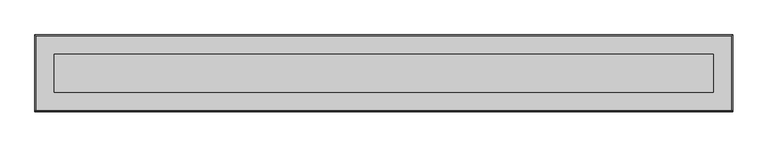
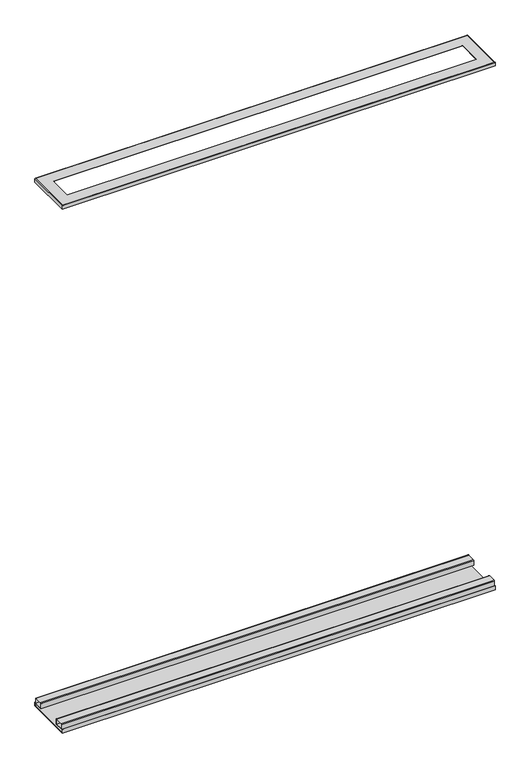
"""IFC4 building model written with IfcOpenShell, lengths in millimetres: proxy geometry."""

from ifc_helpers import new_model, si_unit, point, frame, frame_2d, origin, place, context, project, spatial, polyline, circle_curve, ellipse_curve, trimmed, segment, composite_curve, outline, extrude, source, transform, mapped, element, save
from ifc_brep_helpers import plane_surface, cylinder_surface, advanced_brep


def specialty_equipment_b6dd4536(model_context):
    return source(origin(), model_context, "Body", "SolidModel", [
        advanced_brep(
        [(-85.6077362, -6.1265625, 3038.475), (-85.6077362, -6.1265625, 3059.1125), (2285.7616638, -6.1265625, 3059.1125), (2285.7616638, -6.1265625, 3038.475), (-87.1952362, -7.7140625, 3058.0973019), (-87.1952362, -7.7140625, 3038.475), (2287.3491638, -7.7140625, 3038.475), (2287.3491638, -7.7140625, 3058.0973019), (-84.592538, -5.1113644, 3060.7), (2284.7464657, -5.1113644, 3060.7), (-22.1077362, 57.3734375, 3059.1125), (-22.1077362, 57.3734375, 3060.7), (2222.2616638, 57.3734375, 3060.7), (2222.2616638, 57.3734375, 3059.1125), (2285.7616638, 251.0484375, 3059.1125), (2285.7616638, 251.0484375, 3038.475), (2287.3491638, 252.6359375, 3038.475), (2287.3491638, 252.6359375, 3058.0973019), (2284.7464657, 250.0332394, 3060.7), (2222.2616638, 187.5484375, 3060.7), (2222.2616638, 187.5484375, 3059.1125), (-85.6077362, 251.0484375, 3059.1125), (-85.6077362, 251.0484375, 3038.475), (-87.1952362, 252.6359375, 3038.475), (-87.1952362, 252.6359375, 3058.0973019), (-84.592538, 250.0332394, 3060.7), (-22.1077362, 187.5484375, 3060.7), (-22.1077362, 187.5484375, 3059.1125)],
        [
            (0, 1),
            (1, 2),
            (2, 3),
            (3, 0),
            (4, 5),
            (5, 6),
            (6, 7),
            (7, 4),
            (8, 4, ellipse_curve(frame((-84.592538, -5.1113644, 3058.0973019), z_axis=(0.7071067811865475, -0.7071067811865475, 0.0), x_axis=(-0.7071067811865476, -0.7071067811865474, 0.0)), 3.680771, 2.6026981)),
            (7, 9, ellipse_curve(frame((2284.7464657, -5.1113644, 3058.0973019), z_axis=(-0.7071067811865475, -0.7071067811865475, 0.0), x_axis=(-0.7071067811865476, 0.7071067811865474, 0.0)), 3.680771, 2.6026981)),
            (9, 8),
            (10, 11),
            (11, 12),
            (12, 13),
            (13, 10),
            (2, 14),
            (14, 15),
            (15, 3),
            (6, 16),
            (16, 17),
            (17, 7),
            (17, 18, ellipse_curve(frame((2284.7464657, 250.0332394, 3058.0973019), z_axis=(0.7071067811865475, -0.7071067811865475, 0.0), x_axis=(-0.7071067811865474, -0.7071067811865476, 0.0)), 3.680771, 2.6026981)),
            (18, 9),
            (12, 19),
            (19, 20),
            (20, 13),
            (14, 21),
            (21, 22),
            (22, 15),
            (16, 23),
            (23, 24),
            (24, 17),
            (24, 25, ellipse_curve(frame((-84.592538, 250.0332394, 3058.0973019), z_axis=(0.7071067811865475, 0.7071067811865475, 0.0), x_axis=(0.7071067811865476, -0.7071067811865474, 0.0)), 3.680771, 2.6026981)),
            (25, 18),
            (19, 26),
            (26, 27),
            (27, 20),
            (21, 1),
            (0, 22),
            (5, 23),
            (4, 24),
            (8, 25),
            (11, 26),
            (10, 27),
        ],
        [
            plane_surface(frame((-85.6077362, -6.1265625, 3059.1125), z_axis=(0.0, 1.0, 0.0), x_axis=(1.0, 0.0, 0.0))),
            plane_surface(frame((-87.1952362, -7.7140625, 3038.475), z_axis=(0.0, -1.0, -1.5538175795976938e-12), x_axis=(1.0, 0.0, 0.0))),
            cylinder_surface(frame((-87.1952362, -5.1113644, 3058.0973019), z_axis=(-1.0, 0.0, 0.0), x_axis=(0.0, 1.0, 0.0)), 2.6026981),
            plane_surface(frame((-22.1077362, 57.3734375, 3060.7), z_axis=(0.0, 1.0, 0.0), x_axis=(1.0, 0.0, 0.0))),
            plane_surface(frame((2285.7616638, -6.1265625, 3059.1125), z_axis=(-1.0, 0.0, 0.0), x_axis=(0.0, 1.0, 0.0))),
            plane_surface(frame((2287.3491638, -7.7140625, 3038.475), z_axis=(1.0, 0.0, -1.5538175795976938e-12), x_axis=(0.0, 1.0, 0.0))),
            cylinder_surface(frame((2284.7464657, -7.7140625, 3058.0973019), z_axis=(0.0, -1.0, 0.0), x_axis=(-1.0, 0.0, 0.0)), 2.6026981),
            plane_surface(frame((2222.2616638, 57.3734375, 3060.7), z_axis=(-1.0, 0.0, 0.0), x_axis=(0.0, 1.0, 0.0))),
            plane_surface(frame((2285.7616638, 251.0484375, 3059.1125), z_axis=(0.0, -1.0, 0.0), x_axis=(-1.0, 0.0, 0.0))),
            plane_surface(frame((2287.3491638, 252.6359375, 3038.475), z_axis=(0.0, 1.0, -1.5538175795976938e-12), x_axis=(-1.0, 0.0, 0.0))),
            cylinder_surface(frame((2287.3491638, 250.0332394, 3058.0973019), z_axis=(1.0, 0.0, 0.0), x_axis=(0.0, -1.0, 0.0)), 2.6026981),
            plane_surface(frame((2222.2616638, 187.5484375, 3060.7), z_axis=(0.0, -1.0, 0.0), x_axis=(-1.0, 0.0, 0.0))),
            plane_surface(frame((-85.6077362, 251.0484375, 3059.1125), z_axis=(1.0, 0.0, 0.0), x_axis=(0.0, -1.0, 0.0))),
            plane_surface(frame((-85.6077362, 251.0484375, 3038.475), z_axis=(0.0, 0.0, -1.0), x_axis=(0.0, -1.0, 0.0))),
            plane_surface(frame((-87.1952362, 252.6359375, 3038.475), z_axis=(-1.0, 0.0, -1.5538175795976938e-12), x_axis=(0.0, -1.0, 0.0))),
            cylinder_surface(frame((-84.592538, 252.6359375, 3058.0973019), z_axis=(0.0, 1.0, 0.0), x_axis=(1.0, 0.0, 0.0)), 2.6026981),
            plane_surface(frame((-84.592538, 250.0332394, 3060.7), z_axis=(0.0, 0.0, 1.0), x_axis=(0.0, -1.0, 0.0))),
            plane_surface(frame((-22.1077362, 187.5484375, 3060.7), z_axis=(1.0, 0.0, 0.0), x_axis=(0.0, -1.0, 0.0))),
            plane_surface(frame((-22.1077362, 187.5484375, 3059.1125), z_axis=(0.0, 0.0, -1.0), x_axis=(0.0, -1.0, 0.0))),
        ],
        [
            (0, [[1, 2, 3, 4]]),
            (1, [[5, 6, 7, 8]]),
            (2, [[9, -8, 10, 11]]),
            (3, [[12, 13, 14, 15]]),
            (4, [[-3, 16, 17, 18]]),
            (5, [[-7, 19, 20, 21]]),
            (6, [[-10, -21, 22, 23]]),
            (7, [[-14, 24, 25, 26]]),
            (8, [[-17, 27, 28, 29]]),
            (9, [[-20, 30, 31, 32]]),
            (10, [[-22, -32, 33, 34]]),
            (11, [[-25, 35, 36, 37]]),
            (12, [[-28, 38, -1, 39]]),
            (13, [[40, -30, -19, -6], [-18, -29, -39, -4]]),
            (14, [[-31, -40, -5, 41]]),
            (15, [[-33, -41, -9, 42]]),
            (16, [[-23, -34, -42, -11], [43, -35, -24, -13]]),
            (17, [[-36, -43, -12, 44]]),
            (18, [[-38, -27, -16, -2], [-26, -37, -44, -15]]),
        ],
    ),
        extrude(outline(composite_curve([segment(trimmed(circle_curve(frame_2d((243.1988458, 45.6174083)), 3.7855917), [point((243.1988458, 49.403))], [point((246.9844375, 45.6174083))], False, "CARTESIAN"), True, "CONTINUOUS"), segment(polyline([(246.9844375, 45.6174083), (246.9844375, 17.653), (196.1844375, 17.653), (196.1844375, 46.022634)]), True, "CONTINUOUS"), segment(trimmed(circle_curve(frame_2d((199.5648035, 46.022634)), 3.380366), [point((196.1844375, 46.022634))], [point((199.5648035, 49.403))], False, "CARTESIAN"), True, "CONTINUOUS"), segment(polyline([(199.5648035, 49.403), (243.1988458, 49.403)]), True, "CONTINUOUS")], self_intersect=False), holes=[polyline([(245.3334375, 47.752), (197.8354375, 47.752), (197.8354375, 19.304), (245.3334375, 19.304), (245.3334375, 47.752)])]), frame((-87.1952362, 0.0, 0.0), z_axis=(1.0, 0.0, 0.0), x_axis=(0.0, 1.0, 0.0)), (0.0, 0.0, 1.0), 2374.5444),
        extrude(outline(composite_curve([segment(polyline([(48.7628375, 17.653), (-2.0371625, 17.653), (-2.0371625, 45.8195032)]), True, "CONTINUOUS"), segment(trimmed(circle_curve(frame_2d((1.5463343, 45.8195032)), 3.5834968), [point((-2.0371625, 45.8195032))], [point((1.5463343, 49.403))], False, "CARTESIAN"), True, "CONTINUOUS"), segment(polyline([(1.5463343, 49.403), (45.1597302, 49.403)]), True, "CONTINUOUS"), segment(trimmed(circle_curve(frame_2d((45.1597302, 45.7998927)), 3.6031073), [point((45.1597302, 49.403))], [point((48.7628375, 45.7998927))], False, "CARTESIAN"), True, "CONTINUOUS"), segment(polyline([(48.7628375, 45.7998927), (48.7628375, 17.653)]), True, "CONTINUOUS")], self_intersect=False), holes=[polyline([(47.1118375, 19.304), (47.1118375, 47.752), (-0.3861625, 47.752), (-0.3861625, 19.304), (47.1118375, 19.304)])]), frame((-87.1952362, 0.0, 0.0), z_axis=(1.0, 0.0, 0.0), x_axis=(0.0, 1.0, 0.0)), (0.0, 0.0, 1.0), 2374.5444),
        extrude(outline(polyline([(251.0484375, 22.1115), (252.6359375, 22.1115), (252.6359375, 0.0), (-7.7140625, 0.0), (-7.7140625, 22.1115), (-6.1011625, 22.1115), (-6.1011625, 1.5875), (251.0484375, 1.5875), (251.0484375, 22.1115)])), frame((-87.1952362, 0.0, 0.0), z_axis=(1.0, 0.0, 0.0), x_axis=(0.0, 1.0, 0.0)), (0.0, 0.0, 1.0), 2374.5444),
    ])


if __name__ == "__main__":
    model = new_model("IFC4")
    model_context = context("Model", 3, world=origin())
    ifc_project = project(units=[si_unit("LENGTHUNIT", "METRE", prefix="MILLI")], contexts=[model_context])
    site = spatial("IfcSite", under=ifc_project)
    building = spatial("IfcBuilding", under=site)
    placement = place(None, origin())
    specialty_equipment_shape = specialty_equipment_b6dd4536(model_context)
    element("IfcBuildingElementProxy", 1, Name="Specialty Equipment", at=placement, inside=building, context=model_context, shape_type="MappedRepresentation", body=[
        mapped(specialty_equipment_shape, transform((0.0, 0.0, 0.0), x_axis=(1.0, 0.0, 0.0), y_axis=(0.0, 1.0, 0.0), z_axis=(0.0, 0.0, 1.0))),
    ])
    save(model, "model.ifc")
